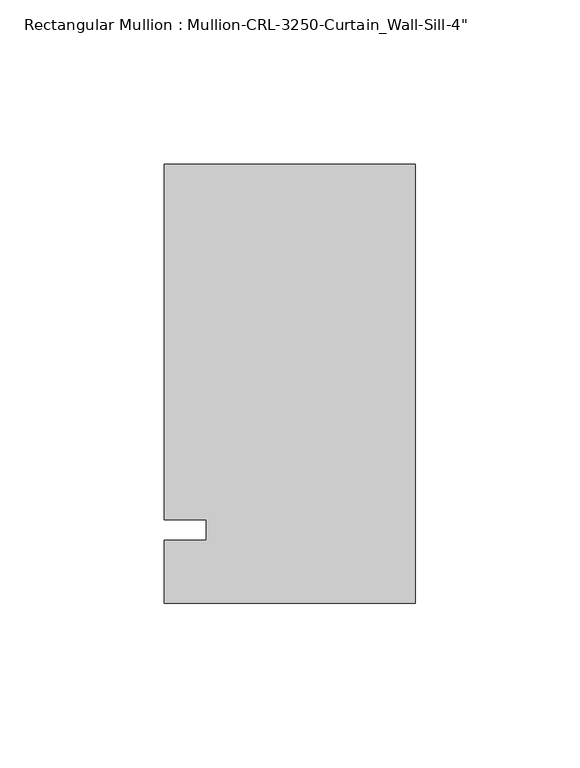
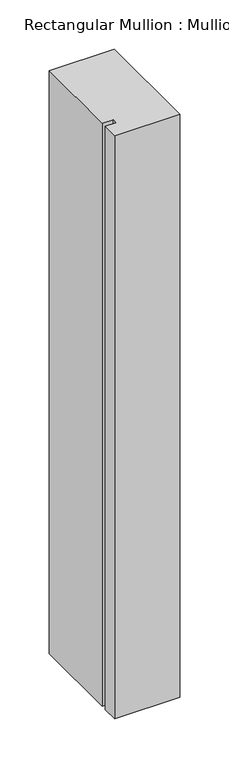
"""IFC4 building model written with IfcOpenShell, lengths in millimetres: member geometry."""

from ifc_helpers import new_model, si_unit, frame, origin, place, context, project, spatial, polyline, outline, extrude, source, transform, mapped, element, save


def member_f3b214c8(model_context):
    return source(origin(), model_context, "Body", "SweptSolid", [
        extrude(outline(polyline([(-76.199997, -3.175), (-63.499997, -3.175), (-63.499997, 3.175), (-76.199997, 3.175), (-76.199997, 111.1245832), (0.0, 111.1245832), (0.0, -22.2254168), (-76.199997, -22.2254168), (-76.199997, -3.175)])), frame((0.0, 0.0, -723.9000045), z_axis=(0.0, 0.0, 1.0), x_axis=(1.0, 0.0, 0.0)), (0.0, 0.0, 1.0), 723.9000045),
    ])


if __name__ == "__main__":
    model = new_model("IFC4")
    model_context = context("Model", 3, world=origin())
    ifc_project = project(units=[si_unit("LENGTHUNIT", "METRE", prefix="MILLI")], contexts=[model_context])
    site = spatial("IfcSite", under=ifc_project)
    building = spatial("IfcBuilding", under=site)
    placement = place(None, origin())
    member_shape = member_f3b214c8(model_context)
    element("IfcMember", 1, ObjectType="Rectangular Mullion : Mullion-CRL-3250-Curtain_Wall-Sill-4\"", at=placement, inside=building, context=model_context, shape_type="MappedRepresentation", body=[
        mapped(member_shape, transform((0.0, 0.0, 0.0), x_axis=(1.0, 0.0, 0.0), y_axis=(0.0, 1.0, 0.0), z_axis=(0.0, 0.0, 1.0))),
    ])
    save(model, "model.ifc")
